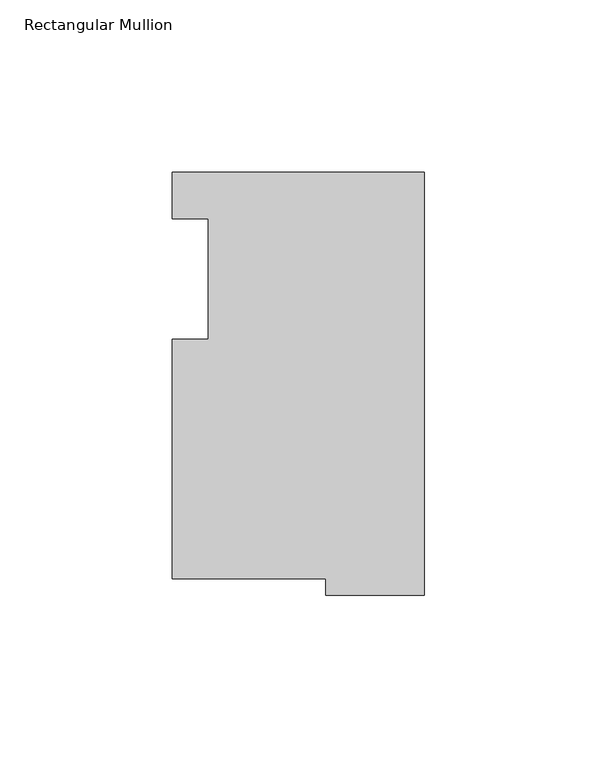
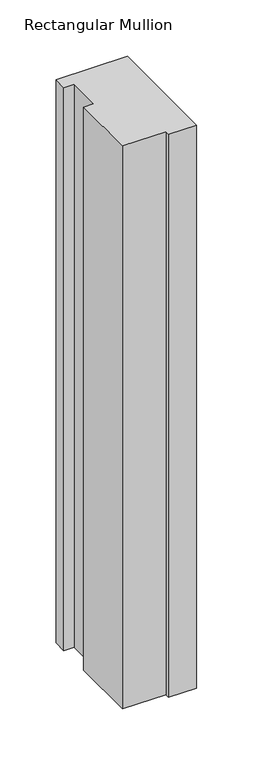
"""IFC4 building model written with IfcOpenShell, lengths in millimetres: member geometry, Rectangular Mullion."""

from ifc_helpers import new_model, si_unit, frame, origin, place, context, project, spatial, polyline, outline, extrude, source, transform, mapped, element, save


def rectangular_mullion_3149cdfa(model_context):
    return source(origin(), model_context, "Body", "SweptSolid", [
        extrude(outline(polyline([(0.0, 117.3749875), (0.0, -5.2308125), (-28.575, -5.2308125), (-28.575, -0.4810125), (-73.025, -0.4810125), (-73.025, 68.9879875), (-62.6872, 68.9879875), (-62.6872, 103.9129875), (-73.025, 103.9129875), (-73.025, 117.3749875), (0.0, 117.3749875)])), frame((0.0, 0.0, -609.6), z_axis=(0.0, 0.0, 1.0), x_axis=(1.0, 0.0, 0.0)), (0.0, 0.0, 1.0), 609.6),
    ])


if __name__ == "__main__":
    model = new_model("IFC4")
    model_context = context("Model", 3, world=origin())
    ifc_project = project(units=[si_unit("LENGTHUNIT", "METRE", prefix="MILLI")], contexts=[model_context])
    site = spatial("IfcSite", under=ifc_project)
    building = spatial("IfcBuilding", under=site)
    placement = place(None, origin())
    rectangular_mullion_shape = rectangular_mullion_3149cdfa(model_context)
    element("IfcMember", 1, ObjectType="Rectangular Mullion", at=placement, inside=building, context=model_context, shape_type="MappedRepresentation", body=[
        mapped(rectangular_mullion_shape, transform((0.0, 0.0, 0.0), x_axis=(1.0, 0.0, 0.0), y_axis=(0.0, 1.0, 0.0), z_axis=(0.0, 0.0, 1.0))),
    ])
    save(model, "model.ifc")
